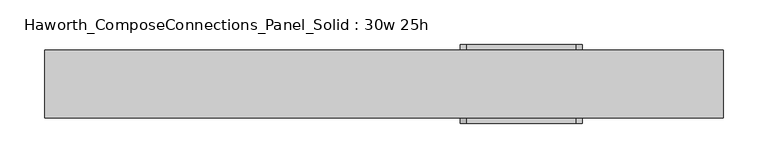
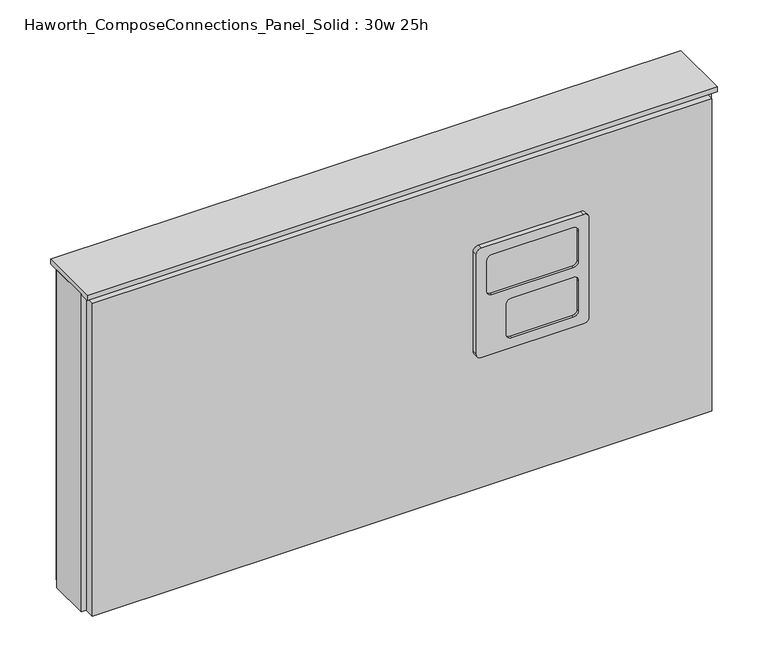
"""IFC4 building model written with IfcOpenShell, lengths in millimetres: furniture geometry, Haworth_ComposeConnections_Panel_Solid : 30w 25h."""

from ifc_helpers import new_model, si_unit, frame, origin, place, context, project, spatial, polyline, circle_curve, outline, extrude, source, transform, mapped, element, save
from ifc_brep_helpers import plane_surface, cylinder_surface, revolved_surface, advanced_brep


def haworth_composeconnections_panel_solid_30w_25h_529a7b32(model_context):
    return source(origin(), model_context, "Body", "SolidModel", [
        advanced_brep(
        [(94.5152902, 38.1, 546.1), (88.1652902, 38.1, 539.75), (88.1652902, 38.1, 412.75), (94.5152902, 38.1, 406.4), (218.3402902, 38.1, 406.4), (224.6902902, 38.1, 412.75), (224.6902902, 38.1, 539.75), (218.3402902, 38.1, 546.1), (94.5152902, 44.45, 546.1), (218.3402902, 44.45, 546.1), (224.6902902, 44.45, 539.75), (224.6902902, 44.45, 412.75), (218.3402902, 44.45, 406.4), (94.5152902, 44.45, 406.4), (88.1652902, 44.45, 412.75), (88.1652902, 44.45, 539.75), (107.2152902, 44.45, 533.4), (100.8652902, 44.45, 527.05), (100.8652902, 44.45, 488.95), (107.2152902, 44.45, 482.6), (205.6402902, 44.45, 482.6), (211.9902902, 44.45, 488.95), (211.9902902, 44.45, 527.05), (205.6402902, 44.45, 533.4), (107.2152902, 44.45, 469.9), (100.8652902, 44.45, 463.55), (100.8652902, 44.45, 425.45), (107.2152902, 44.45, 419.1), (181.8277902, 44.45, 419.1), (188.1777902, 44.45, 425.45), (188.1777902, 44.45, 463.55), (181.8277902, 44.45, 469.9), (107.2152902, 41.275, 533.4), (205.6402902, 41.275, 533.4), (211.9902902, 41.275, 527.05), (211.9902902, 41.275, 488.95), (205.6402902, 41.275, 482.6), (107.2152902, 41.275, 482.6), (100.8652902, 41.275, 488.95), (100.8652902, 41.275, 527.05), (107.2152902, 41.275, 469.9), (181.8277902, 41.275, 469.9), (188.1777902, 41.275, 463.55), (188.1777902, 41.275, 425.45), (181.8277902, 41.275, 419.1), (107.2152902, 41.275, 419.1), (100.8652902, 41.275, 425.45), (100.8652902, 41.275, 463.55)],
        [
            (0, 1, circle_curve(frame((94.5152902, 38.1, 539.75), z_axis=(0.0, -1.0, 0.0), x_axis=(1.0, 0.0, 0.0)), 6.35)),
            (1, 2),
            (2, 3, circle_curve(frame((94.5152902, 38.1, 412.75), z_axis=(0.0, -1.0, 0.0), x_axis=(1.0, 0.0, 0.0)), 6.35)),
            (3, 4),
            (4, 5, circle_curve(frame((218.3402902, 38.1, 412.75), z_axis=(0.0, -1.0, 0.0), x_axis=(1.0, 0.0, 0.0)), 6.35)),
            (5, 6),
            (6, 7, circle_curve(frame((218.3402902, 38.1, 539.75), z_axis=(0.0, -1.0, 0.0), x_axis=(1.0, 0.0, 0.0)), 6.35)),
            (7, 0),
            (8, 9),
            (9, 10, circle_curve(frame((218.3402902, 44.45, 539.75), z_axis=(0.0, 1.0, 0.0), x_axis=(1.0, 0.0, 0.0)), 6.35)),
            (10, 11),
            (11, 12, circle_curve(frame((218.3402902, 44.45, 412.75), z_axis=(0.0, 1.0, 0.0), x_axis=(1.0, 0.0, 0.0)), 6.35)),
            (12, 13),
            (13, 14, circle_curve(frame((94.5152902, 44.45, 412.75), z_axis=(0.0, 1.0, 0.0), x_axis=(1.0, 0.0, 0.0)), 6.35)),
            (14, 15),
            (15, 8, circle_curve(frame((94.5152902, 44.45, 539.75), z_axis=(0.0, 1.0, 0.0), x_axis=(1.0, 0.0, 0.0)), 6.35)),
            (16, 17, circle_curve(frame((107.2152902, 44.45, 527.05), z_axis=(0.0, -1.0, 0.0), x_axis=(1.0, 0.0, 0.0)), 6.35)),
            (17, 18),
            (18, 19, circle_curve(frame((107.2152902, 44.45, 488.95), z_axis=(0.0, -1.0, 0.0), x_axis=(1.0, 0.0, 0.0)), 6.35)),
            (19, 20),
            (20, 21, circle_curve(frame((205.6402902, 44.45, 488.95), z_axis=(0.0, -1.0, 0.0), x_axis=(1.0, 0.0, 0.0)), 6.35)),
            (21, 22),
            (22, 23, circle_curve(frame((205.6402902, 44.45, 527.05), z_axis=(0.0, -1.0, 0.0), x_axis=(1.0, 0.0, 0.0)), 6.35)),
            (23, 16),
            (24, 25, circle_curve(frame((107.2152902, 44.45, 463.55), z_axis=(0.0, -1.0, 0.0), x_axis=(1.0, 0.0, 0.0)), 6.35)),
            (25, 26),
            (26, 27, circle_curve(frame((107.2152902, 44.45, 425.45), z_axis=(0.0, -1.0, 0.0), x_axis=(1.0, 0.0, 0.0)), 6.35)),
            (27, 28),
            (28, 29, circle_curve(frame((181.8277902, 44.45, 425.45), z_axis=(0.0, -1.0, 0.0), x_axis=(1.0, 0.0, 0.0)), 6.35)),
            (29, 30),
            (30, 31, circle_curve(frame((181.8277902, 44.45, 463.55), z_axis=(0.0, -1.0, 0.0), x_axis=(1.0, 0.0, 0.0)), 6.35)),
            (31, 24),
            (0, 8),
            (15, 1),
            (14, 2),
            (13, 3),
            (12, 4),
            (11, 5),
            (10, 6),
            (9, 7),
            (32, 33),
            (33, 34, circle_curve(frame((205.6402902, 41.275, 527.05), z_axis=(0.0, 1.0, 0.0), x_axis=(1.0, 0.0, 0.0)), 6.35)),
            (34, 35),
            (35, 36, circle_curve(frame((205.6402902, 41.275, 488.95), z_axis=(0.0, 1.0, 0.0), x_axis=(1.0, 0.0, 0.0)), 6.35)),
            (36, 37),
            (37, 38, circle_curve(frame((107.2152902, 41.275, 488.95), z_axis=(0.0, 1.0, 0.0), x_axis=(1.0, 0.0, 0.0)), 6.35)),
            (38, 39),
            (39, 32, circle_curve(frame((107.2152902, 41.275, 527.05), z_axis=(0.0, 1.0, 0.0), x_axis=(1.0, 0.0, 0.0)), 6.35)),
            (40, 41),
            (41, 42, circle_curve(frame((181.8277902, 41.275, 463.55), z_axis=(0.0, 1.0, 0.0), x_axis=(1.0, 0.0, 0.0)), 6.35)),
            (42, 43),
            (43, 44, circle_curve(frame((181.8277902, 41.275, 425.45), z_axis=(0.0, 1.0, 0.0), x_axis=(1.0, 0.0, 0.0)), 6.35)),
            (44, 45),
            (45, 46, circle_curve(frame((107.2152902, 41.275, 425.45), z_axis=(0.0, 1.0, 0.0), x_axis=(1.0, 0.0, 0.0)), 6.35)),
            (46, 47),
            (47, 40, circle_curve(frame((107.2152902, 41.275, 463.55), z_axis=(0.0, 1.0, 0.0), x_axis=(1.0, 0.0, 0.0)), 6.35)),
            (39, 17),
            (16, 32),
            (38, 18),
            (37, 19),
            (36, 20),
            (35, 21),
            (34, 22),
            (33, 23),
            (47, 25),
            (24, 40),
            (46, 26),
            (45, 27),
            (44, 28),
            (43, 29),
            (42, 30),
            (41, 31),
        ],
        [
            plane_surface(frame((100.8652902, 38.1, 539.75), z_axis=(0.0, -1.0, 0.0), x_axis=(0.0, 0.0, 1.0))),
            plane_surface(frame((100.8652902, 44.45, 539.75), z_axis=(0.0, 1.0, 0.0), x_axis=(0.0, 0.0, -1.0))),
            cylinder_surface(frame((94.5152902, 44.45, 539.75), z_axis=(0.0, -1.0, 0.0), x_axis=(1.0, 0.0, 0.0)), 6.35),
            plane_surface(frame((88.1652902, 38.1, 539.75), z_axis=(-1.0, 0.0, 0.0), x_axis=(0.0, 1.0, 0.0))),
            cylinder_surface(frame((94.5152902, 44.45, 412.75), z_axis=(0.0, -1.0, 0.0), x_axis=(1.0, 0.0, 0.0)), 6.35),
            plane_surface(frame((94.5152902, 38.1, 406.4), z_axis=(0.0, 0.0, -1.0), x_axis=(0.0, 1.0, 0.0))),
            cylinder_surface(frame((218.3402902, 44.45, 412.75), z_axis=(0.0, -1.0, 0.0), x_axis=(1.0, 0.0, 0.0)), 6.35),
            plane_surface(frame((224.6902902, 38.1, 412.75), z_axis=(1.0, 0.0, 0.0), x_axis=(0.0, 1.0, 0.0))),
            cylinder_surface(frame((218.3402902, 44.45, 539.75), z_axis=(0.0, -1.0, 0.0), x_axis=(1.0, 0.0, 0.0)), 6.35),
            plane_surface(frame((218.3402902, 38.1, 546.1), z_axis=(0.0, 0.0, 1.0), x_axis=(0.0, 1.0, 0.0))),
            plane_surface(frame((113.5652902, 41.275, 527.05), z_axis=(0.0, 1.0, 0.0), x_axis=(0.0, 0.0, 1.0))),
            revolved_surface(polyline([(113.56529019999999, 41.275, 527.05), (113.56529019999999, 44.45, 527.05)]), (107.2152902, 44.45, 527.05), (0.0, -1.0, 0.0)),
            plane_surface(frame((100.8652902, 41.275, 527.05), z_axis=(1.0, 0.0, 0.0), x_axis=(0.0, 1.0, 0.0))),
            revolved_surface(polyline([(113.56529019999999, 41.275, 488.95), (113.56529019999999, 44.45, 488.95)]), (107.2152902, 44.45, 488.95), (0.0, -1.0, 0.0)),
            plane_surface(frame((107.2152902, 41.275, 482.6), z_axis=(0.0, 0.0, 1.0), x_axis=(0.0, 1.0, 0.0))),
            revolved_surface(polyline([(211.9902902, 41.275, 488.95), (211.9902902, 44.45, 488.95)]), (205.6402902, 44.45, 488.95), (0.0, -1.0, 0.0)),
            plane_surface(frame((211.9902902, 41.275, 488.95), z_axis=(-1.0, 0.0, 0.0), x_axis=(0.0, 1.0, 0.0))),
            revolved_surface(polyline([(211.9902902, 41.275, 527.05), (211.9902902, 44.45, 527.05)]), (205.6402902, 44.45, 527.05), (0.0, -1.0, 0.0)),
            plane_surface(frame((205.6402902, 41.275, 533.4), z_axis=(0.0, 0.0, -1.0), x_axis=(0.0, 1.0, 0.0))),
            revolved_surface(polyline([(113.56529019999999, 41.275, 463.55), (113.56529019999999, 44.45, 463.55)]), (107.2152902, 44.45, 463.55), (0.0, -1.0, 0.0)),
            plane_surface(frame((100.8652902, 41.275, 463.55), z_axis=(1.0, 0.0, 0.0), x_axis=(0.0, 1.0, 0.0))),
            revolved_surface(polyline([(113.56529019999999, 41.275, 425.45), (113.56529019999999, 44.45, 425.45)]), (107.2152902, 44.45, 425.45), (0.0, -1.0, 0.0)),
            plane_surface(frame((107.2152902, 41.275, 419.1), z_axis=(0.0, 0.0, 1.0), x_axis=(0.0, 1.0, 0.0))),
            revolved_surface(polyline([(188.1777902, 41.275, 425.45), (188.1777902, 44.45, 425.45)]), (181.8277902, 44.45, 425.45), (0.0, -1.0, 0.0)),
            plane_surface(frame((188.1777902, 41.275, 425.45), z_axis=(-1.0, 0.0, 0.0), x_axis=(0.0, 1.0, 0.0))),
            revolved_surface(polyline([(188.1777902, 41.275, 463.55), (188.1777902, 44.45, 463.55)]), (181.8277902, 44.45, 463.55), (0.0, -1.0, 0.0)),
            plane_surface(frame((181.8277902, 41.275, 469.9), z_axis=(0.0, 0.0, -1.0), x_axis=(0.0, 1.0, 0.0))),
        ],
        [
            (0, [[1, 2, 3, 4, 5, 6, 7, 8]]),
            (1, [[9, 10, 11, 12, 13, 14, 15, 16], [17, 18, 19, 20, 21, 22, 23, 24], [25, 26, 27, 28, 29, 30, 31, 32]]),
            (2, [[-1, 33, -16, 34]]),
            (3, [[-2, -34, -15, 35]]),
            (4, [[-3, -35, -14, 36]]),
            (5, [[-4, -36, -13, 37]]),
            (6, [[-5, -37, -12, 38]]),
            (7, [[-6, -38, -11, 39]]),
            (8, [[-7, -39, -10, 40]]),
            (9, [[-8, -40, -9, -33]]),
            (10, [[41, 42, 43, 44, 45, 46, 47, 48]]),
            (10, [[49, 50, 51, 52, 53, 54, 55, 56]]),
            (11, [[-48, 57, -17, 58]]),
            (12, [[-47, 59, -18, -57]]),
            (13, [[-46, 60, -19, -59]]),
            (14, [[-45, 61, -20, -60]]),
            (15, [[-44, 62, -21, -61]]),
            (16, [[-43, 63, -22, -62]]),
            (17, [[-42, 64, -23, -63]]),
            (18, [[-41, -58, -24, -64]]),
            (19, [[-56, 65, -25, 66]]),
            (20, [[-55, 67, -26, -65]]),
            (21, [[-54, 68, -27, -67]]),
            (22, [[-53, 69, -28, -68]]),
            (23, [[-52, 70, -29, -69]]),
            (24, [[-51, 71, -30, -70]]),
            (25, [[-50, 72, -31, -71]]),
            (26, [[-49, -66, -32, -72]]),
        ],
    ),
        advanced_brep(
        [(218.3402902, -38.1, 546.1), (224.6902902, -38.1, 539.75), (224.6902902, -38.1, 412.75), (218.3402902, -38.1, 406.4), (94.5152902, -38.1, 406.4), (88.1652902, -38.1, 412.75), (88.1652902, -38.1, 539.75), (94.5152902, -38.1, 546.1), (218.3402902, -44.45, 546.1), (94.5152902, -44.45, 546.1), (88.1652902, -44.45, 539.75), (88.1652902, -44.45, 412.75), (94.5152902, -44.45, 406.4), (218.3402902, -44.45, 406.4), (224.6902902, -44.45, 412.75), (224.6902902, -44.45, 539.75), (205.6402902, -44.45, 533.4), (211.9902902, -44.45, 527.05), (211.9902902, -44.45, 488.95), (205.6402902, -44.45, 482.6), (107.2152902, -44.45, 482.6), (100.8652902, -44.45, 488.95), (100.8652902, -44.45, 527.05), (107.2152902, -44.45, 533.4), (205.6402902, -44.45, 469.9), (211.9902902, -44.45, 463.55), (211.9902902, -44.45, 425.45), (205.6402902, -44.45, 419.1), (131.0277902, -44.45, 419.1), (124.6777902, -44.45, 425.45), (124.6777902, -44.45, 463.55), (131.0277902, -44.45, 469.9), (205.6402902, -41.275, 533.4), (107.2152902, -41.275, 533.4), (100.8652902, -41.275, 527.05), (100.8652902, -41.275, 488.95), (107.2152902, -41.275, 482.6), (205.6402902, -41.275, 482.6), (211.9902902, -41.275, 488.95), (211.9902902, -41.275, 527.05), (205.6402902, -41.275, 469.9), (131.0277902, -41.275, 469.9), (124.6777902, -41.275, 463.55), (124.6777902, -41.275, 425.45), (131.0277902, -41.275, 419.1), (205.6402902, -41.275, 419.1), (211.9902902, -41.275, 425.45), (211.9902902, -41.275, 463.55)],
        [
            (0, 1, circle_curve(frame((218.3402902, -38.1, 539.75), z_axis=(0.0, 1.0, 0.0), x_axis=(-1.0, 0.0, 0.0)), 6.35)),
            (1, 2),
            (2, 3, circle_curve(frame((218.3402902, -38.1, 412.75), z_axis=(0.0, 1.0, 0.0), x_axis=(-1.0, 0.0, 0.0)), 6.35)),
            (3, 4),
            (4, 5, circle_curve(frame((94.5152902, -38.1, 412.75), z_axis=(0.0, 1.0, 0.0), x_axis=(-1.0, 0.0, 0.0)), 6.35)),
            (5, 6),
            (6, 7, circle_curve(frame((94.5152902, -38.1, 539.75), z_axis=(0.0, 1.0, 0.0), x_axis=(-1.0, 0.0, 0.0)), 6.35)),
            (7, 0),
            (8, 9),
            (9, 10, circle_curve(frame((94.5152902, -44.45, 539.75), z_axis=(0.0, -1.0, 0.0), x_axis=(-1.0, 0.0, 0.0)), 6.35)),
            (10, 11),
            (11, 12, circle_curve(frame((94.5152902, -44.45, 412.75), z_axis=(0.0, -1.0, 0.0), x_axis=(-1.0, 0.0, 0.0)), 6.35)),
            (12, 13),
            (13, 14, circle_curve(frame((218.3402902, -44.45, 412.75), z_axis=(0.0, -1.0, 0.0), x_axis=(-1.0, 0.0, 0.0)), 6.35)),
            (14, 15),
            (15, 8, circle_curve(frame((218.3402902, -44.45, 539.75), z_axis=(0.0, -1.0, 0.0), x_axis=(-1.0, 0.0, 0.0)), 6.35)),
            (16, 17, circle_curve(frame((205.6402902, -44.45, 527.05), z_axis=(0.0, 1.0, 0.0), x_axis=(-1.0, 0.0, 0.0)), 6.35)),
            (17, 18),
            (18, 19, circle_curve(frame((205.6402902, -44.45, 488.95), z_axis=(0.0, 1.0, 0.0), x_axis=(-1.0, 0.0, 0.0)), 6.35)),
            (19, 20),
            (20, 21, circle_curve(frame((107.2152902, -44.45, 488.95), z_axis=(0.0, 1.0, 0.0), x_axis=(-1.0, 0.0, 0.0)), 6.35)),
            (21, 22),
            (22, 23, circle_curve(frame((107.2152902, -44.45, 527.05), z_axis=(0.0, 1.0, 0.0), x_axis=(-1.0, 0.0, 0.0)), 6.35)),
            (23, 16),
            (24, 25, circle_curve(frame((205.6402902, -44.45, 463.55), z_axis=(0.0, 1.0, 0.0), x_axis=(-1.0, 0.0, 0.0)), 6.35)),
            (25, 26),
            (26, 27, circle_curve(frame((205.6402902, -44.45, 425.45), z_axis=(0.0, 1.0, 0.0), x_axis=(-1.0, 0.0, 0.0)), 6.35)),
            (27, 28),
            (28, 29, circle_curve(frame((131.0277902, -44.45, 425.45), z_axis=(0.0, 1.0, 0.0), x_axis=(-1.0, 0.0, 0.0)), 6.35)),
            (29, 30),
            (30, 31, circle_curve(frame((131.0277902, -44.45, 463.55), z_axis=(0.0, 1.0, 0.0), x_axis=(-1.0, 0.0, 0.0)), 6.35)),
            (31, 24),
            (0, 8),
            (15, 1),
            (14, 2),
            (13, 3),
            (12, 4),
            (11, 5),
            (10, 6),
            (9, 7),
            (32, 33),
            (33, 34, circle_curve(frame((107.2152902, -41.275, 527.05), z_axis=(0.0, -1.0, 0.0), x_axis=(-1.0, 0.0, 0.0)), 6.35)),
            (34, 35),
            (35, 36, circle_curve(frame((107.2152902, -41.275, 488.95), z_axis=(0.0, -1.0, 0.0), x_axis=(-1.0, 0.0, 0.0)), 6.35)),
            (36, 37),
            (37, 38, circle_curve(frame((205.6402902, -41.275, 488.95), z_axis=(0.0, -1.0, 0.0), x_axis=(-1.0, 0.0, 0.0)), 6.35)),
            (38, 39),
            (39, 32, circle_curve(frame((205.6402902, -41.275, 527.05), z_axis=(0.0, -1.0, 0.0), x_axis=(-1.0, 0.0, 0.0)), 6.35)),
            (40, 41),
            (41, 42, circle_curve(frame((131.0277902, -41.275, 463.55), z_axis=(0.0, -1.0, 0.0), x_axis=(-1.0, 0.0, 0.0)), 6.35)),
            (42, 43),
            (43, 44, circle_curve(frame((131.0277902, -41.275, 425.45), z_axis=(0.0, -1.0, 0.0), x_axis=(-1.0, 0.0, 0.0)), 6.35)),
            (44, 45),
            (45, 46, circle_curve(frame((205.6402902, -41.275, 425.45), z_axis=(0.0, -1.0, 0.0), x_axis=(-1.0, 0.0, 0.0)), 6.35)),
            (46, 47),
            (47, 40, circle_curve(frame((205.6402902, -41.275, 463.55), z_axis=(0.0, -1.0, 0.0), x_axis=(-1.0, 0.0, 0.0)), 6.35)),
            (39, 17),
            (16, 32),
            (38, 18),
            (37, 19),
            (36, 20),
            (35, 21),
            (34, 22),
            (33, 23),
            (47, 25),
            (24, 40),
            (46, 26),
            (45, 27),
            (44, 28),
            (43, 29),
            (42, 30),
            (41, 31),
        ],
        [
            plane_surface(frame((211.9902902, -38.1, 539.75), z_axis=(0.0, 1.0, 0.0), x_axis=(0.0, 0.0, 1.0))),
            plane_surface(frame((211.9902902, -44.45, 539.75), z_axis=(0.0, -1.0, 0.0), x_axis=(0.0, 0.0, -1.0))),
            cylinder_surface(frame((218.3402902, -44.45, 539.75), z_axis=(0.0, 1.0, 0.0), x_axis=(-1.0, 0.0, 0.0)), 6.35),
            plane_surface(frame((224.6902902, -38.1, 539.75), z_axis=(1.0, 0.0, 0.0), x_axis=(0.0, -1.0, 0.0))),
            cylinder_surface(frame((218.3402902, -44.45, 412.75), z_axis=(0.0, 1.0, 0.0), x_axis=(-1.0, 0.0, 0.0)), 6.35),
            plane_surface(frame((218.3402902, -38.1, 406.4), z_axis=(0.0, 0.0, -1.0), x_axis=(0.0, -1.0, 0.0))),
            cylinder_surface(frame((94.5152902, -44.45, 412.75), z_axis=(0.0, 1.0, 0.0), x_axis=(-1.0, 0.0, 0.0)), 6.35),
            plane_surface(frame((88.1652902, -38.1, 412.75), z_axis=(-1.0, 0.0, 0.0), x_axis=(0.0, -1.0, 0.0))),
            cylinder_surface(frame((94.5152902, -44.45, 539.75), z_axis=(0.0, 1.0, 0.0), x_axis=(-1.0, 0.0, 0.0)), 6.35),
            plane_surface(frame((94.5152902, -38.1, 546.1), z_axis=(0.0, 0.0, 1.0), x_axis=(0.0, -1.0, 0.0))),
            plane_surface(frame((199.2902902, -41.275, 527.05), z_axis=(0.0, -1.0, 0.0), x_axis=(0.0, 0.0, 1.0))),
            revolved_surface(polyline([(199.29029020000002, -41.275, 527.05), (199.29029020000002, -44.45, 527.05)]), (205.6402902, -44.45, 527.05), (0.0, 1.0, 0.0)),
            plane_surface(frame((211.9902902, -41.275, 527.05), z_axis=(-1.0, 0.0, 0.0), x_axis=(0.0, -1.0, 0.0))),
            revolved_surface(polyline([(199.29029020000002, -41.275, 488.95), (199.29029020000002, -44.45, 488.95)]), (205.6402902, -44.45, 488.95), (0.0, 1.0, 0.0)),
            plane_surface(frame((205.6402902, -41.275, 482.6), z_axis=(0.0, 0.0, 1.0), x_axis=(0.0, -1.0, 0.0))),
            revolved_surface(polyline([(100.8652902, -41.275, 488.95), (100.8652902, -44.45, 488.95)]), (107.2152902, -44.45, 488.95), (0.0, 1.0, 0.0)),
            plane_surface(frame((100.8652902, -41.275, 488.95), z_axis=(1.0, 0.0, 0.0), x_axis=(0.0, -1.0, 0.0))),
            revolved_surface(polyline([(100.8652902, -41.275, 527.05), (100.8652902, -44.45, 527.05)]), (107.2152902, -44.45, 527.05), (0.0, 1.0, 0.0)),
            plane_surface(frame((107.2152902, -41.275, 533.4), z_axis=(0.0, 0.0, -1.0), x_axis=(0.0, -1.0, 0.0))),
            revolved_surface(polyline([(199.29029020000002, -41.275, 463.55), (199.29029020000002, -44.45, 463.55)]), (205.6402902, -44.45, 463.55), (0.0, 1.0, 0.0)),
            plane_surface(frame((211.9902902, -41.275, 463.55), z_axis=(-1.0, 0.0, 0.0), x_axis=(0.0, -1.0, 0.0))),
            revolved_surface(polyline([(199.29029020000002, -41.275, 425.45), (199.29029020000002, -44.45, 425.45)]), (205.6402902, -44.45, 425.45), (0.0, 1.0, 0.0)),
            plane_surface(frame((205.6402902, -41.275, 419.1), z_axis=(0.0, 0.0, 1.0), x_axis=(0.0, -1.0, 0.0))),
            revolved_surface(polyline([(124.6777902, -41.275, 425.45), (124.6777902, -44.45, 425.45)]), (131.0277902, -44.45, 425.45), (0.0, 1.0, 0.0)),
            plane_surface(frame((124.6777902, -41.275, 425.45), z_axis=(1.0, 0.0, 0.0), x_axis=(0.0, -1.0, 0.0))),
            revolved_surface(polyline([(124.6777902, -41.275, 463.55), (124.6777902, -44.45, 463.55)]), (131.0277902, -44.45, 463.55), (0.0, 1.0, 0.0)),
            plane_surface(frame((131.0277902, -41.275, 469.9), z_axis=(0.0, 0.0, -1.0), x_axis=(0.0, -1.0, 0.0))),
        ],
        [
            (0, [[1, 2, 3, 4, 5, 6, 7, 8]]),
            (1, [[9, 10, 11, 12, 13, 14, 15, 16], [17, 18, 19, 20, 21, 22, 23, 24], [25, 26, 27, 28, 29, 30, 31, 32]]),
            (2, [[-1, 33, -16, 34]]),
            (3, [[-2, -34, -15, 35]]),
            (4, [[-3, -35, -14, 36]]),
            (5, [[-4, -36, -13, 37]]),
            (6, [[-5, -37, -12, 38]]),
            (7, [[-6, -38, -11, 39]]),
            (8, [[-7, -39, -10, 40]]),
            (9, [[-8, -40, -9, -33]]),
            (10, [[41, 42, 43, 44, 45, 46, 47, 48]]),
            (10, [[49, 50, 51, 52, 53, 54, 55, 56]]),
            (11, [[-48, 57, -17, 58]]),
            (12, [[-47, 59, -18, -57]]),
            (13, [[-46, 60, -19, -59]]),
            (14, [[-45, 61, -20, -60]]),
            (15, [[-44, 62, -21, -61]]),
            (16, [[-43, 63, -22, -62]]),
            (17, [[-42, 64, -23, -63]]),
            (18, [[-41, -58, -24, -64]]),
            (19, [[-56, 65, -25, 66]]),
            (20, [[-55, 67, -26, -65]]),
            (21, [[-54, 68, -27, -67]]),
            (22, [[-53, 69, -28, -68]]),
            (23, [[-52, 70, -29, -69]]),
            (24, [[-51, 71, -30, -70]]),
            (25, [[-50, 72, -31, -71]]),
            (26, [[-49, -66, -32, -72]]),
        ],
    ),
        extrude(outline(polyline([(383.4402902, -25.4), (-378.5597098, -25.4), (-378.5597098, 25.4), (383.4402902, 25.4), (383.4402902, -25.4)])), frame((0.0, 0.0, 234.95), z_axis=(0.0, 0.0, 1.0), x_axis=(1.0, 0.0, 0.0)), (0.0, 0.0, 1.0), 406.4),
        extrude(outline(polyline([(-372.2097098, -25.4), (377.0902902, -25.4), (377.0902902, -38.1), (-372.2097098, -38.1), (-372.2097098, -25.4)])), frame((0.0, 0.0, 234.95), z_axis=(0.0, 0.0, 1.0), x_axis=(1.0, 0.0, 0.0)), (0.0, 0.0, 1.0), 400.05),
        extrude(outline(polyline([(-372.2097098, 38.1), (377.0902902, 38.1), (377.0902902, 25.4), (-372.2097098, 25.4), (-372.2097098, 38.1)])), frame((0.0, 0.0, 234.95), z_axis=(0.0, 0.0, 1.0), x_axis=(1.0, 0.0, 0.0)), (0.0, 0.0, 1.0), 400.05),
        extrude(outline(polyline([(-378.5597098, -38.1), (-378.5597098, 38.1), (383.4402902, 38.1), (383.4402902, -38.1), (-378.5597098, -38.1)])), frame((0.0, 0.0, 641.35), z_axis=(0.0, 0.0, 1.0), x_axis=(1.0, 0.0, 0.0)), (0.0, 0.0, 1.0), 6.35),
    ])


if __name__ == "__main__":
    model = new_model("IFC4")
    model_context = context("Model", 3, world=origin())
    ifc_project = project(units=[si_unit("LENGTHUNIT", "METRE", prefix="MILLI")], contexts=[model_context])
    site = spatial("IfcSite", under=ifc_project)
    building = spatial("IfcBuilding", under=site)
    placement = place(None, origin())
    haworth_composeconnections_panel_solid_30w_25h_shape = haworth_composeconnections_panel_solid_30w_25h_529a7b32(model_context)
    element("IfcFurniture", 1, ObjectType="Haworth_ComposeConnections_Panel_Solid : 30w 25h", at=placement, inside=building, context=model_context, shape_type="MappedRepresentation", body=[
        mapped(haworth_composeconnections_panel_solid_30w_25h_shape, transform((0.0, 0.0, 0.0), x_axis=(1.0, 0.0, 0.0), y_axis=(0.0, 1.0, 0.0), z_axis=(0.0, 0.0, 1.0))),
    ])
    save(model, "model.ifc")
